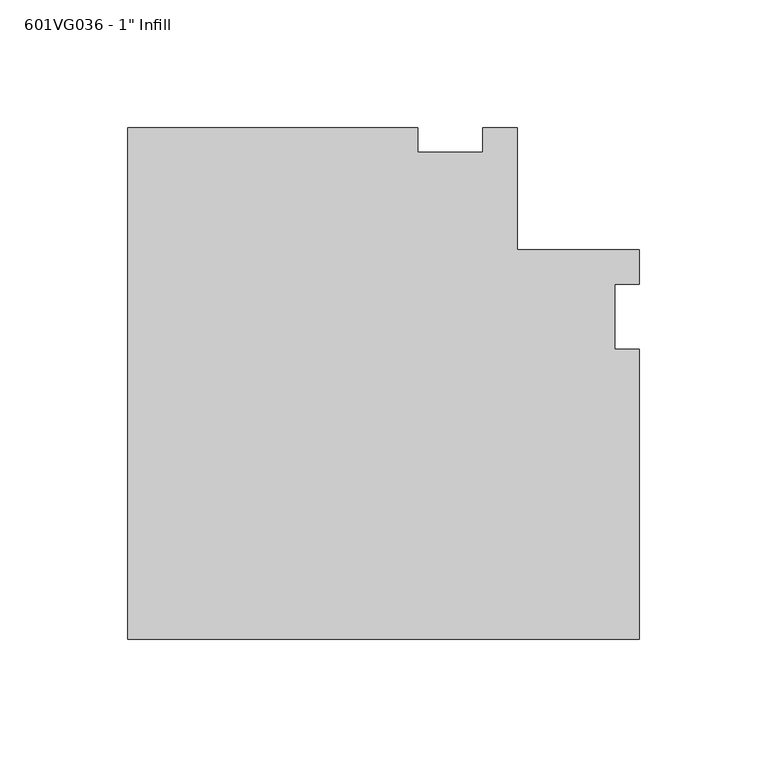
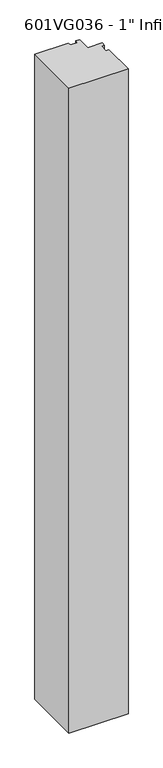
"""IFC4 building model written with IfcOpenShell, lengths in millimetres: proxy geometry."""

from ifc_helpers import new_model, si_unit, frame, origin, place, context, project, spatial, polyline, outline, extrude, source, transform, mapped, element, save


def proxy_6ae3c129(model_context):
    return source(origin(), model_context, "Body", "SweptSolid", [
        extrude(outline(polyline([(-126.20625, -126.20625), (-126.20625, 73.97115), (-12.7, 73.97115), (-12.7, 64.44615), (12.7, 64.44615), (12.7, 73.97115), (26.1919183, 73.97115), (26.1919183, 26.19375), (73.97115, 26.19375), (73.97115, 12.7), (64.44615, 12.7), (64.44615, -12.7), (73.97115, -12.7), (73.97115, -126.20625), (-126.20625, -126.20625)])), frame((0.0, 0.0, 63.5), z_axis=(0.0, 0.0, 1.0), x_axis=(1.0, 0.0, 0.0)), (0.0, 0.0, 1.0), 2311.4),
    ])


if __name__ == "__main__":
    model = new_model("IFC4")
    model_context = context("Model", 3, world=origin())
    ifc_project = project(units=[si_unit("LENGTHUNIT", "METRE", prefix="MILLI")], contexts=[model_context])
    site = spatial("IfcSite", under=ifc_project)
    building = spatial("IfcBuilding", under=site)
    placement = place(None, origin())
    proxy_shape = proxy_6ae3c129(model_context)
    element("IfcBuildingElementProxy", 1, Name="601VG036 - 1\" Infill", ObjectType="601VG036 - 1\" Infill", at=placement, inside=building, context=model_context, shape_type="MappedRepresentation", body=[
        mapped(proxy_shape, transform((0.0, 0.0, 0.0), x_axis=(1.0, 0.0, 0.0), y_axis=(0.0, 1.0, 0.0), z_axis=(0.0, 0.0, 1.0))),
    ])
    save(model, "model.ifc")
